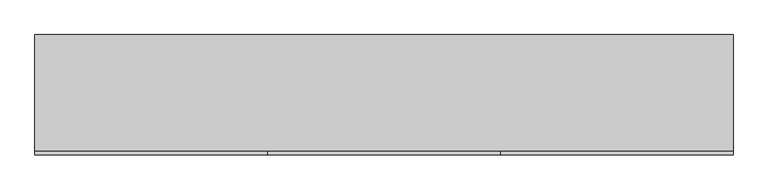
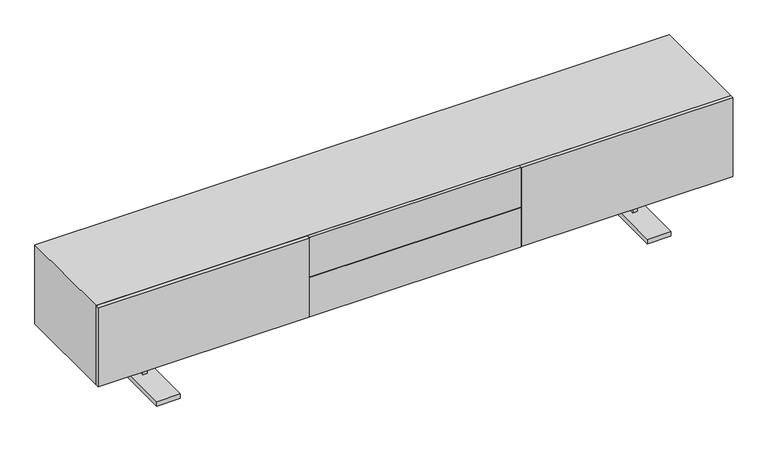
"""IFC4 building model written with IfcOpenShell, lengths in millimetres: furniture geometry."""

from ifc_helpers import new_model, si_unit, frame, origin, place, context, project, spatial, polyline, outline, extrude, faceted_brep, source, transform, mapped, element, save


def furniture_63b3753f(model_context):
    return source(origin(), model_context, "Body", "SolidModel", [
        faceted_brep([(-1051.4962619, -54.3141225, 184.15), (-1032.4462619, -54.3141225, 184.15), (-1032.4462619, -13.8140652, 184.15), (1031.7914181, -13.8140652, 184.15), (1031.7914181, -54.3141225, 184.15), (1050.8414181, -54.3141225, 184.15), (1050.8414181, 43.6910418, 184.15), (1031.7914181, 43.6910418, 184.15), (1031.7914181, 5.4884, 184.15), (-1032.4462619, 5.4884, 184.15), (-1032.4462619, 43.6910418, 184.15), (-1051.4962619, 43.6910418, 184.15), (-1051.4962619, -54.3141225, 19.8859728), (-1032.4462619, -54.3141225, 19.8859728), (-1032.4462619, -13.8140652, 19.8859728), (-993.9962106, -13.8140652, 133.35), (993.3413668, -13.8140652, 133.35), (993.3413668, -13.8140652, 19.8859728), (1031.7914181, -13.8140652, 19.8859728), (-993.9962106, -13.8140652, 19.8859728), (-993.9962106, 5.4884, 133.35), (-993.9962106, -228.6040836, 19.8859728), (-993.9962106, -228.6040836, 0.0), (-993.9962106, 219.9758393, 0.0), (-993.9962106, 219.9758393, 19.8859728), (-993.9962106, 5.4884, 19.8859728), (993.3413668, 5.4884, 133.35), (-1032.4462619, 5.4884, 19.8859728), (1031.7914181, 5.4884, 19.8859728), (993.3413668, 5.4884, 19.8859728), (-1032.4462619, 43.6910418, 19.8859728), (-1051.4962619, 43.6910418, 19.8859728), (1031.7914181, -54.3141225, 19.8859728), (1050.8414181, -54.3141225, 19.8859728), (993.3413668, 219.9758393, 19.8859728), (993.3413668, 219.9758393, 0.0), (993.3413668, -228.6040836, 0.0), (993.3413668, -228.6040836, 19.8859728), (1031.7914181, 43.6910418, 19.8859728), (1050.8414181, 43.6910418, 19.8859728), (-1092.9962724, 219.9758393, 19.8859728), (-1092.9962724, -228.6040836, 19.8859728), (-1092.9962724, -228.6040836, 0.0), (-1092.9962724, 219.9758393, 0.0), (1092.3414286, -228.6040836, 19.8859728), (1092.3414286, 219.9758393, 19.8859728), (1092.3414286, 219.9758393, 0.0), (1092.3414286, -228.6040836, 0.0)], [[[0, 1, 2, 3, 4, 5, 6, 7, 8, 9, 10, 11]], [[1, 0, 12, 13]], [[2, 1, 13, 14]], [[15, 16, 17, 18, 3, 2, 14, 19]], [[20, 15, 19, 21, 22, 23, 24, 25]], [[26, 20, 25, 27, 9, 8, 28, 29]], [[10, 9, 27, 30]], [[11, 10, 30, 31]], [[0, 11, 31, 12]], [[20, 26, 16, 15]], [[5, 4, 32, 33]], [[4, 3, 18, 32]], [[26, 29, 34, 35, 36, 37, 17, 16]], [[8, 7, 38, 28]], [[7, 6, 39, 38]], [[6, 5, 33, 39]], [[24, 40, 41, 21, 19, 14, 13, 12, 31, 30, 27, 25]], [[23, 22, 42, 43]], [[40, 24, 23, 43]], [[41, 40, 43, 42]], [[21, 41, 42, 22]], [[37, 44, 45, 34, 29, 28, 38, 39, 33, 32, 18, 17]], [[35, 46, 47, 36]], [[34, 45, 46, 35]], [[45, 44, 47, 46]], [[44, 37, 36, 47]]]),
        extrude(outline(polyline([(449.1143333, -225.425), (449.1143333, -240.42624), (-449.1143333, -240.42624), (-449.1143333, -225.425), (449.1143333, -225.425)])), frame((0.0, 0.0, 362.966), z_axis=(0.0, 0.0, 1.0), x_axis=(1.0, 0.0, 0.0)), (0.0, 0.0, 1.0), 176.784),
        extrude(outline(polyline([(449.1143333, -225.425), (449.1143333, -240.42624), (-449.1143333, -240.42624), (-449.1143333, -225.425), (449.1143333, -225.425)])), frame((0.0, 0.0, 184.15), z_axis=(0.0, 0.0, 1.0), x_axis=(1.0, 0.0, 0.0)), (0.0, 0.0, 1.0), 176.784),
        extrude(outline(polyline([(1349.375, -225.425), (1349.375, -240.42624), (451.1463333, -240.42624), (451.1463333, -225.425), (1349.375, -225.425)])), frame((0.0, 0.0, 184.15), z_axis=(0.0, 0.0, 1.0), x_axis=(1.0, 0.0, 0.0)), (0.0, 0.0, 1.0), 355.6),
        extrude(outline(polyline([(-451.1463333, -225.425), (-451.1463333, -240.42624), (-1349.375, -240.42624), (-1349.375, -225.425), (-451.1463333, -225.425)])), frame((0.0, 0.0, 184.15), z_axis=(0.0, 0.0, 1.0), x_axis=(1.0, 0.0, 0.0)), (0.0, 0.0, 1.0), 355.6),
        extrude(outline(polyline([(1349.375, 225.425), (1349.375, -225.425), (-1349.375, -225.425), (-1349.375, 225.425), (1349.375, 225.425)])), frame((0.0, 0.0, 184.15), z_axis=(0.0, 0.0, 1.0), x_axis=(1.0, 0.0, 0.0)), (0.0, 0.0, 1.0), 355.6),
    ])


if __name__ == "__main__":
    model = new_model("IFC4")
    model_context = context("Model", 3, world=origin())
    ifc_project = project(units=[si_unit("LENGTHUNIT", "METRE", prefix="MILLI")], contexts=[model_context])
    site = spatial("IfcSite", under=ifc_project)
    building = spatial("IfcBuilding", under=site)
    placement = place(None, origin())
    furniture_shape = furniture_63b3753f(model_context)
    element("IfcFurniture", 1, at=placement, inside=building, context=model_context, shape_type="MappedRepresentation", body=[
        mapped(furniture_shape, transform((0.0, 0.0, 0.0), x_axis=(1.0, 0.0, 0.0), y_axis=(0.0, 1.0, 0.0), z_axis=(0.0, 0.0, 1.0))),
    ])
    save(model, "model.ifc")
